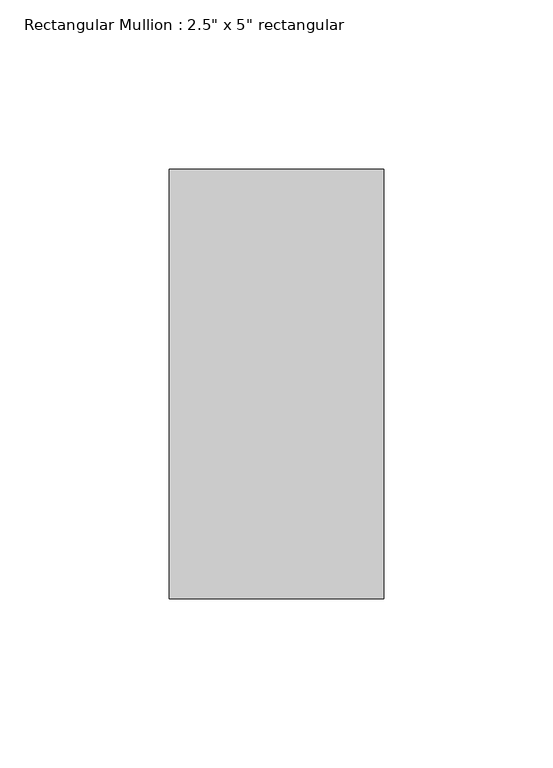
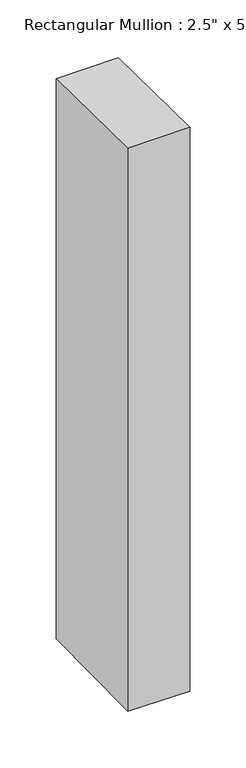
"""IFC4 building model written with IfcOpenShell, lengths in millimetres: member geometry."""

from ifc_helpers import new_model, si_unit, origin, place, context, project, spatial, faceted_brep, source, transform, mapped, element, save


def member_e26291e0(model_context):
    return source(origin(), model_context, "Body", "Brep", [
        faceted_brep([(-63.5, 63.5, -1.4256897), (0.0, 63.5, -0.7555852), (0.0, 63.5, -609.9395047), (-63.5, 63.5, -609.3696627), (-63.5, -63.5, 0.0854806), (-63.5, -63.5, -610.877348), (0.0, -63.5, 0.7555852), (0.0, -63.5, -611.44719)], [[[0, 1, 2, 3]], [[4, 0, 3, 5]], [[6, 4, 5, 7]], [[1, 6, 7, 2]], [[1, 0, 4, 6]], [[2, 7, 5, 3]]]),
    ])


if __name__ == "__main__":
    model = new_model("IFC4")
    model_context = context("Model", 3, world=origin())
    ifc_project = project(units=[si_unit("LENGTHUNIT", "METRE", prefix="MILLI")], contexts=[model_context])
    site = spatial("IfcSite", under=ifc_project)
    building = spatial("IfcBuilding", under=site)
    placement = place(None, origin())
    member_shape = member_e26291e0(model_context)
    element("IfcMember", 1, ObjectType="Rectangular Mullion : 2.5\" x 5\" rectangular", at=placement, inside=building, context=model_context, shape_type="MappedRepresentation", body=[
        mapped(member_shape, transform((0.0, 0.0, 0.0), x_axis=(1.0, 0.0, 0.0), y_axis=(0.0, 1.0, 0.0), z_axis=(0.0, 0.0, 1.0))),
    ])
    save(model, "model.ifc")
